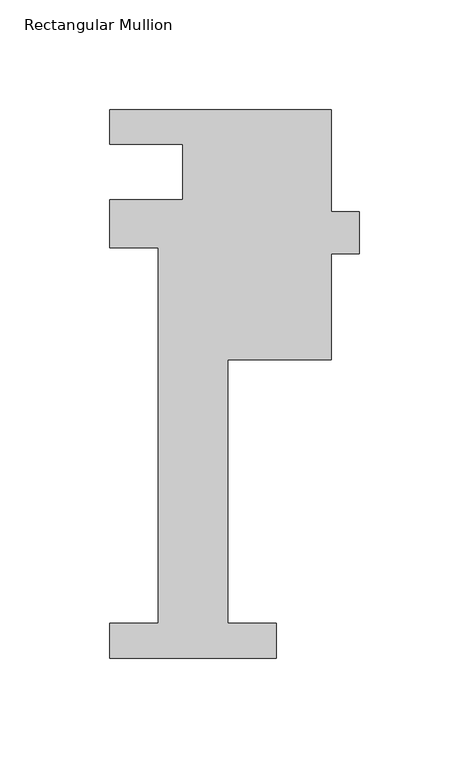
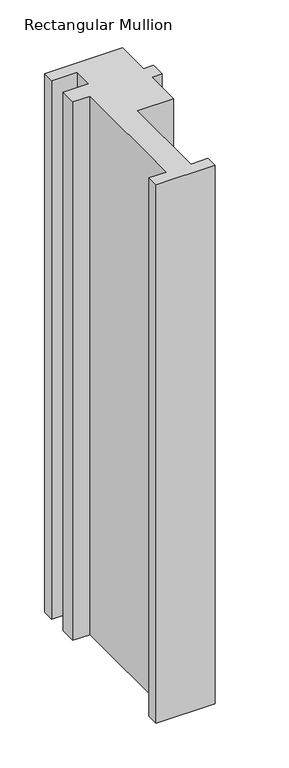
"""IFC4 building model written with IfcOpenShell, lengths in millimetres: member geometry, Rectangular Mullion."""

from ifc_helpers import new_model, si_unit, frame, origin, place, context, project, spatial, polyline, outline, extrude, source, transform, mapped, element, save


def rectangular_mullion_073e0430(model_context):
    return source(origin(), model_context, "Body", "SweptSolid", [
        extrude(outline(polyline([(38.1, -221.996), (-38.1, -221.996), (-38.1, -206.121), (-15.875, -206.121), (-15.875, -34.671), (-38.1, -34.671), (-38.1, -12.7), (-4.7625, -12.7), (-4.7625, 12.7), (-38.1, 12.7), (-38.1, 28.5554197), (63.2464382, 28.5554197), (63.2464382, -18.1655784), (75.9552088, -18.1655784), (75.9552088, -37.2155784), (63.2464382, -37.2155784), (63.2464382, -85.7445803), (15.875, -85.7445803), (15.875, -206.121), (38.1, -206.121), (38.1, -221.996)])), frame((0.0, 0.0, -736.6), z_axis=(0.0, 0.0, 1.0), x_axis=(1.0, 0.0, 0.0)), (0.0, 0.0, 1.0), 736.6),
    ])


if __name__ == "__main__":
    model = new_model("IFC4")
    model_context = context("Model", 3, world=origin())
    ifc_project = project(units=[si_unit("LENGTHUNIT", "METRE", prefix="MILLI")], contexts=[model_context])
    site = spatial("IfcSite", under=ifc_project)
    building = spatial("IfcBuilding", under=site)
    placement = place(None, origin())
    rectangular_mullion_shape = rectangular_mullion_073e0430(model_context)
    element("IfcMember", 1, ObjectType="Rectangular Mullion", at=placement, inside=building, context=model_context, shape_type="MappedRepresentation", body=[
        mapped(rectangular_mullion_shape, transform((0.0, 0.0, 0.0), x_axis=(1.0, 0.0, 0.0), y_axis=(0.0, 1.0, 0.0), z_axis=(0.0, 0.0, 1.0))),
    ])
    save(model, "model.ifc")
